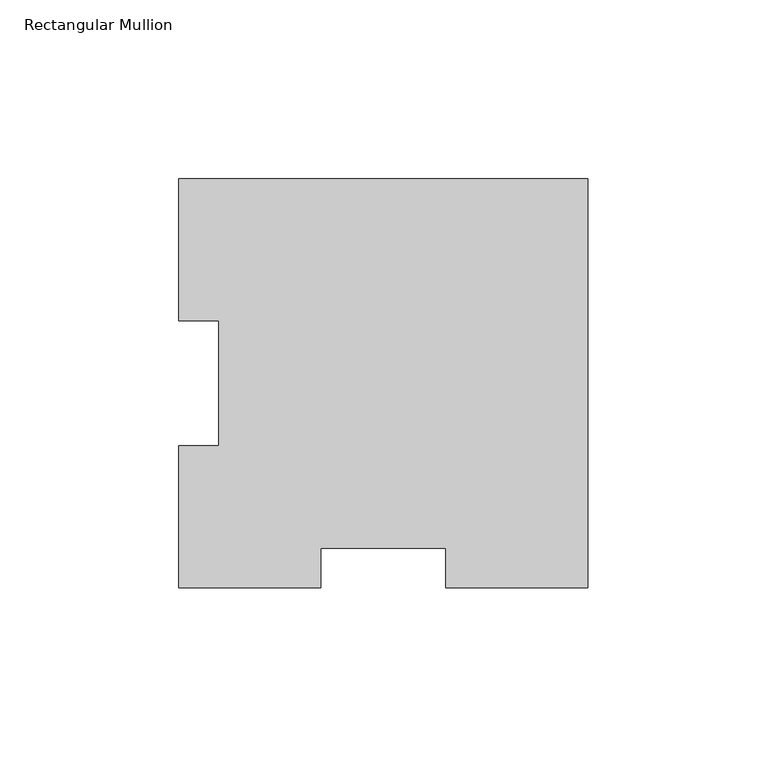
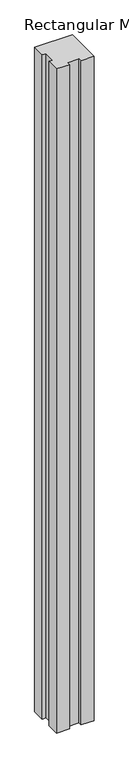
"""IFC4 building model written with IfcOpenShell, lengths in millimetres: member geometry, Rectangular Mullion."""

from ifc_helpers import new_model, si_unit, frame, origin, place, context, project, spatial, polyline, outline, extrude, source, transform, mapped, element, save


def rectangular_mullion_2480d1f2(model_context):
    return source(origin(), model_context, "Body", "SweptSolid", [
        extrude(outline(polyline([(-114.3, 114.271425), (0.0, 114.271425), (0.0, -0.028575), (-39.6748, -0.028575), (-39.6748, 11.083925), (-74.6252, 11.083925), (-74.6252, -0.028575), (-114.3, -0.028575), (-114.3, 39.646225), (-103.1875, 39.646225), (-103.1875, 74.596625), (-114.3, 74.596625), (-114.3, 114.271425)])), frame((0.0, 0.0, -2133.6), z_axis=(0.0, 0.0, 1.0), x_axis=(1.0, 0.0, 0.0)), (0.0, 0.0, 1.0), 2133.6),
    ])


if __name__ == "__main__":
    model = new_model("IFC4")
    model_context = context("Model", 3, world=origin())
    ifc_project = project(units=[si_unit("LENGTHUNIT", "METRE", prefix="MILLI")], contexts=[model_context])
    site = spatial("IfcSite", under=ifc_project)
    building = spatial("IfcBuilding", under=site)
    placement = place(None, origin())
    rectangular_mullion_shape = rectangular_mullion_2480d1f2(model_context)
    element("IfcMember", 1, ObjectType="Rectangular Mullion", at=placement, inside=building, context=model_context, shape_type="MappedRepresentation", body=[
        mapped(rectangular_mullion_shape, transform((0.0, 0.0, 0.0), x_axis=(1.0, 0.0, 0.0), y_axis=(0.0, 1.0, 0.0), z_axis=(0.0, 0.0, 1.0))),
    ])
    save(model, "model.ifc")
